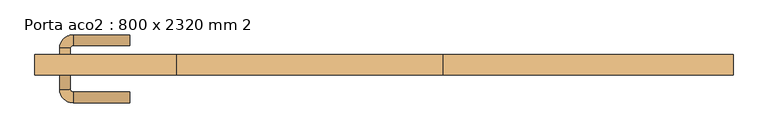
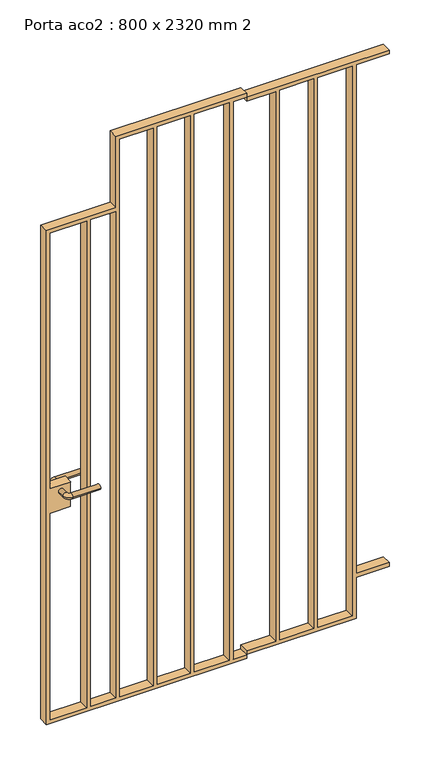
"""IFC4 building model written with IfcOpenShell, lengths in millimetres: door geometry, Porta aco2 : 800 x 2320 mm 2."""

from ifc_helpers import new_model, si_unit, point, frame, origin, place, context, project, spatial, polyline, circle_curve, ellipse_curve, trimmed, outline, extrude, source, transform, mapped, element, save
from ifc_brep_helpers import plane_surface, cylinder_surface, revolved_surface, advanced_brep


def porta_aco2_800_x_2320_mm_2_c0227a25(model_context):
    return source(origin(), model_context, "Body", "SolidModel", [
        advanced_brep(
        [(-313.0, 116.8212666, 950.0), (-293.0, 116.8212666, 950.0), (-313.0, 146.8212666, 950.0), (-293.0, 146.8212666, 950.0), (-288.0, 151.8212666, 950.0), (-288.0, 171.8212666, 950.0), (-183.0, 171.8212666, 950.0), (-183.0, 151.8212666, 950.0)],
        [
            (0, 1, circle_curve(frame((-303.0, 116.8212666, 950.0), z_axis=(0.0, -1.0, 0.0), x_axis=(1.0, 0.0, 0.0)), 10.0)),
            (1, 0, circle_curve(frame((-303.0, 116.8212666, 950.0), z_axis=(0.0, -1.0, 0.0), x_axis=(1.0, 0.0, 0.0)), 10.0)),
            (0, 2),
            (2, 3, circle_curve(frame((-303.0, 146.8212666, 950.0), z_axis=(0.0, -1.0, 0.0), x_axis=(1.0, 0.0, 0.0)), 10.0)),
            (3, 1),
            (3, 2, circle_curve(frame((-303.0, 146.8212666, 950.0), z_axis=(0.0, -1.0, 0.0), x_axis=(1.0, 0.0, 0.0)), 10.0)),
            (4, 3, circle_curve(frame((-288.0, 146.8212666, 950.0), z_axis=(0.0, 0.0, 1.0), x_axis=(-1.0, 0.0, 0.0)), 5.0)),
            (2, 5, circle_curve(frame((-288.0, 146.8212666, 950.0), z_axis=(0.0, 0.0, -1.0), x_axis=(-1.0, 0.0, 0.0)), 25.0)),
            (5, 4, circle_curve(frame((-288.0, 161.8212666, 950.0), z_axis=(-1.0, 0.0, 0.0), x_axis=(0.0, -1.0, 0.0)), 10.0)),
            (4, 5, circle_curve(frame((-288.0, 161.8212666, 950.0), z_axis=(-1.0, 0.0, 0.0), x_axis=(0.0, -1.0, 0.0)), 10.0)),
            (6, 7, circle_curve(frame((-183.0, 161.8212666, 950.0), z_axis=(1.0, 0.0, 0.0), x_axis=(0.0, -1.0, 0.0)), 10.0)),
            (7, 6, circle_curve(frame((-183.0, 161.8212666, 950.0), z_axis=(1.0, 0.0, 0.0), x_axis=(0.0, -1.0, 0.0)), 10.0)),
            (5, 6),
            (7, 4),
        ],
        [
            plane_surface(frame((-303.0, 116.8212666, 950.0), z_axis=(0.0, -1.0, 0.0), x_axis=(0.0, 0.0, 1.0))),
            cylinder_surface(frame((-303.0, 116.8212666, 950.0), z_axis=(0.0, -1.0, 0.0), x_axis=(1.0, 0.0, 0.0)), 10.0),
            revolved_surface(trimmed(ellipse_curve(frame((-303.0, 146.8212666, 950.0), z_axis=(0.0, -1.0, 0.0), x_axis=(1.0, 0.0, 0.0)), 10.0, 10.0), [point((-313.0, 146.8212666, 950.0))], [point((-293.0, 146.8212666, 950.0))], True, "CARTESIAN"), (-288.0, 146.8212666, 950.0), (0.0, 0.0, -1.0)),
            revolved_surface(trimmed(ellipse_curve(frame((-303.0, 146.8212666, 950.0), z_axis=(0.0, -1.0, 0.0), x_axis=(1.0, 0.0, 0.0)), 10.0, 10.0), [point((-293.0, 146.8212666, 950.0))], [point((-313.0, 146.8212666, 950.0))], True, "CARTESIAN"), (-288.0, 146.8212666, 950.0), (0.0, 0.0, -1.0)),
            plane_surface(frame((-183.0, 161.8212666, 950.0), z_axis=(1.0, 0.0, 0.0), x_axis=(0.0, 0.0, 1.0))),
            cylinder_surface(frame((-288.0, 161.8212666, 950.0), z_axis=(-1.0, 0.0, 0.0), x_axis=(0.0, -1.0, 0.0)), 10.0),
        ],
        [
            (0, [[1, 2]]),
            (1, [[-1, 3, 4, 5]]),
            (1, [[-2, -5, 6, -3]]),
            (2, [[7, -4, 8, 9]]),
            (3, [[-8, -6, -7, 10]]),
            (4, [[11, 12]]),
            (5, [[-9, 13, -12, 14]]),
            (5, [[-10, -14, -11, -13]]),
        ],
    ),
        advanced_brep(
        [(-313.0, 100.1787334, 950.0), (-293.0, 100.1787334, 950.0), (-293.0, 70.1787334, 950.0), (-313.0, 70.1787334, 950.0), (-288.0, 65.1787334, 950.0), (-288.0, 45.1787334, 950.0), (-183.0, 45.1787334, 950.0), (-183.0, 65.1787334, 950.0)],
        [
            (0, 1, circle_curve(frame((-303.0, 100.1787334, 950.0), z_axis=(0.0, 1.0, 0.0), x_axis=(1.0, 0.0, 0.0)), 10.0)),
            (1, 0, circle_curve(frame((-303.0, 100.1787334, 950.0), z_axis=(0.0, 1.0, 0.0), x_axis=(1.0, 0.0, 0.0)), 10.0)),
            (1, 2),
            (2, 3, circle_curve(frame((-303.0, 70.1787334, 950.0), z_axis=(0.0, 1.0, 0.0), x_axis=(1.0, 0.0, 0.0)), 10.0)),
            (3, 0),
            (3, 2, circle_curve(frame((-303.0, 70.1787334, 950.0), z_axis=(0.0, 1.0, 0.0), x_axis=(1.0, 0.0, 0.0)), 10.0)),
            (4, 5, circle_curve(frame((-288.0, 55.1787334, 950.0), z_axis=(-1.0, 0.0, 0.0), x_axis=(0.0, 1.0, 0.0)), 10.0)),
            (5, 3, circle_curve(frame((-288.0, 70.1787334, 950.0), z_axis=(0.0, 0.0, -1.0), x_axis=(-1.0, 0.0, 0.0)), 25.0)),
            (2, 4, circle_curve(frame((-288.0, 70.1787334, 950.0), z_axis=(0.0, 0.0, 1.0), x_axis=(-1.0, 0.0, 0.0)), 5.0)),
            (5, 4, circle_curve(frame((-288.0, 55.1787334, 950.0), z_axis=(-1.0, 0.0, 0.0), x_axis=(0.0, 1.0, 0.0)), 10.0)),
            (6, 7, circle_curve(frame((-183.0, 55.1787334, 950.0), z_axis=(1.0, 0.0, 0.0), x_axis=(0.0, 1.0, 0.0)), 10.0)),
            (7, 6, circle_curve(frame((-183.0, 55.1787334, 950.0), z_axis=(1.0, 0.0, 0.0), x_axis=(0.0, 1.0, 0.0)), 10.0)),
            (4, 7),
            (6, 5),
        ],
        [
            plane_surface(frame((-303.0, 100.1787334, 950.0), z_axis=(0.0, 1.0, 0.0), x_axis=(0.0, 0.0, 1.0))),
            cylinder_surface(frame((-303.0, 100.1787334, 950.0), z_axis=(0.0, 1.0, 0.0), x_axis=(1.0, 0.0, 0.0)), 10.0),
            revolved_surface(trimmed(ellipse_curve(frame((-303.0, 70.1787334, 950.0), z_axis=(0.0, -1.0, 0.0), x_axis=(1.0, 0.0, 0.0)), 10.0, 10.0), [point((-313.0, 70.1787334, 950.0))], [point((-293.0, 70.1787334, 950.0))], True, "CARTESIAN"), (-288.0, 70.1787334, 950.0), (0.0, 0.0, -1.0)),
            revolved_surface(trimmed(ellipse_curve(frame((-303.0, 70.1787334, 950.0), z_axis=(0.0, -1.0, 0.0), x_axis=(1.0, 0.0, 0.0)), 10.0, 10.0), [point((-293.0, 70.1787334, 950.0))], [point((-313.0, 70.1787334, 950.0))], True, "CARTESIAN"), (-288.0, 70.1787334, 950.0), (0.0, 0.0, -1.0)),
            plane_surface(frame((-183.0, 55.1787334, 950.0), z_axis=(1.0, 0.0, 0.0), x_axis=(0.0, 0.0, 1.0))),
            cylinder_surface(frame((-288.0, 55.1787334, 950.0), z_axis=(-1.0, 0.0, 0.0), x_axis=(0.0, 1.0, 0.0)), 10.0),
        ],
        [
            (0, [[1, 2]]),
            (1, [[3, 4, 5, -2]]),
            (1, [[-5, 6, -3, -1]]),
            (2, [[7, 8, -4, 9]]),
            (3, [[10, -9, -6, -8]]),
            (4, [[11, 12]]),
            (5, [[13, -11, 14, -7]]),
            (5, [[-14, -12, -13, -10]]),
        ],
    ),
        extrude(outline(polyline([(2298.0, -95.0), (2013.0, -95.0), (2013.0, -359.0), (32.0, -359.0), (32.0, 400.0), (47.0, 400.0), (47.0, 350.0), (2283.0, 350.0), (2283.0, 400.0), (2298.0, 400.0), (2298.0, -95.0)]), holes=[polyline([(47.0, -344.0), (874.0, -344.0), (874.0, -265.754), (974.0, -265.754), (974.0, -344.0), (1998.0, -344.0), (1998.0, -206.0), (47.0, -206.0), (47.0, -344.0)]), polyline([(47.0, -191.0), (1998.0, -191.0), (1998.0, -95.0), (47.0, -95.0), (47.0, -191.0)]), polyline([(47.0, -80.0), (2283.0, -80.0), (2283.0, 46.0), (47.0, 46.0), (47.0, -80.0)]), polyline([(47.0, 61.0), (2283.0, 61.0), (2283.0, 187.0), (47.0, 187.0), (47.0, 61.0)]), polyline([(47.0, 335.0), (47.0, 202.0), (2283.0, 202.0), (2283.0, 335.0), (47.0, 335.0)])]), frame((0.0, 97.0, 0.0), z_axis=(0.0, 1.0, 0.0), x_axis=(0.0, 0.0, 1.0)), (0.0, 0.0, 1.0), 38.0),
        extrude(outline(polyline([(2267.0289143, 510.0), (62.9710857, 510.0), (62.9710857, 400.0), (47.9710857, 400.0), (47.9710857, 815.0), (212.9710857, 815.0), (212.9710857, 940.0), (227.9710857, 940.0), (227.9710857, 815.0), (2267.0289143, 815.0), (2267.0289143, 940.0), (2282.0289143, 940.0), (2282.0289143, 400.0), (2267.0289143, 400.0), (2267.0289143, 510.0)]), holes=[polyline([(62.9710857, 670.0), (2267.0289143, 670.0), (2267.0289143, 800.0), (62.9710857, 800.0), (62.9710857, 670.0)]), polyline([(62.9710857, 655.0), (62.9710857, 525.0), (2267.0289143, 525.0), (2267.0289143, 655.0), (62.9710857, 655.0)])]), frame((0.0, 97.0, 0.0), z_axis=(0.0, 1.0, 0.0), x_axis=(0.0, 0.0, 1.0)), (0.0, 0.0, 1.0), 38.0),
    ])


if __name__ == "__main__":
    model = new_model("IFC4")
    model_context = context("Model", 3, world=origin())
    ifc_project = project(units=[si_unit("LENGTHUNIT", "METRE", prefix="MILLI")], contexts=[model_context])
    site = spatial("IfcSite", under=ifc_project)
    building = spatial("IfcBuilding", under=site)
    placement = place(None, origin())
    porta_aco2_800_x_2320_mm_2_shape = porta_aco2_800_x_2320_mm_2_c0227a25(model_context)
    element("IfcDoor", 1, ObjectType="Porta aco2 : 800 x 2320 mm 2", at=placement, inside=building, context=model_context, shape_type="MappedRepresentation", body=[
        mapped(porta_aco2_800_x_2320_mm_2_shape, transform((0.0, 0.0, 0.0), x_axis=(1.0, 0.0, 0.0), y_axis=(0.0, 1.0, 0.0), z_axis=(0.0, 0.0, 1.0))),
    ])
    save(model, "model.ifc")
